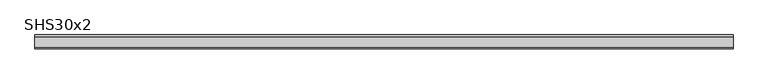
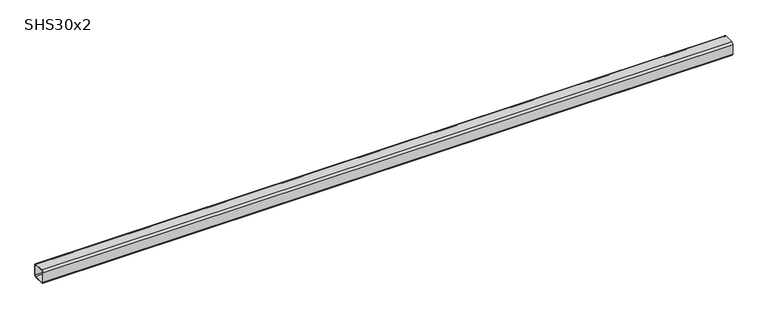
"""IFC4 building model written with IfcOpenShell, lengths in millimetres: beam geometry, SHS30x2."""

from ifc_helpers import new_model, si_unit, point, frame, frame_2d, origin, place, context, project, spatial, polyline, circle_curve, trimmed, segment, composite_curve, outline, extrude, source, transform, mapped, element, save


def shs30x2_0f414abc(model_context):
    return source(origin(), model_context, "Body", "SweptSolid", [
        extrude(outline(composite_curve([segment(polyline([(15.0, 11.0), (15.0, -11.0)]), True, "CONTINUOUS"), segment(trimmed(circle_curve(frame_2d((11.0, -11.0)), 4.0), [point((15.0, -11.0))], [point((11.0, -15.0))], False, "CARTESIAN"), True, "CONTINUOUS"), segment(polyline([(11.0, -15.0), (-11.0, -15.0)]), True, "CONTINUOUS"), segment(trimmed(circle_curve(frame_2d((-11.0, -11.0)), 4.0), [point((-11.0, -15.0))], [point((-15.0, -11.0))], False, "CARTESIAN"), True, "CONTINUOUS"), segment(polyline([(-15.0, -11.0), (-15.0, 11.0)]), True, "CONTINUOUS"), segment(trimmed(circle_curve(frame_2d((-11.0, 11.0)), 4.0), [point((-15.0, 11.0))], [point((-11.0, 15.0))], False, "CARTESIAN"), True, "CONTINUOUS"), segment(polyline([(-11.0, 15.0), (11.0, 15.0)]), True, "CONTINUOUS"), segment(trimmed(circle_curve(frame_2d((11.0, 11.0)), 4.0), [point((11.0, 15.0))], [point((15.0, 11.0))], False, "CARTESIAN"), True, "CONTINUOUS")], self_intersect=False), holes=[composite_curve([segment(trimmed(circle_curve(frame_2d((-11.0, 11.0)), 2.0), [point((-11.0, 13.0))], [point((-13.0, 11.0))], True, "CARTESIAN"), True, "CONTINUOUS"), segment(polyline([(-13.0, 11.0), (-13.0, -11.0)]), True, "CONTINUOUS"), segment(trimmed(circle_curve(frame_2d((-11.0, -11.0)), 2.0), [point((-13.0, -11.0))], [point((-11.0, -13.0))], True, "CARTESIAN"), True, "CONTINUOUS"), segment(polyline([(-11.0, -13.0), (11.0, -13.0)]), True, "CONTINUOUS"), segment(trimmed(circle_curve(frame_2d((11.0, -11.0)), 2.0), [point((11.0, -13.0))], [point((13.0, -11.0))], True, "CARTESIAN"), True, "CONTINUOUS"), segment(polyline([(13.0, -11.0), (13.0, 11.0)]), True, "CONTINUOUS"), segment(trimmed(circle_curve(frame_2d((11.0, 11.0)), 2.0), [point((13.0, 11.0))], [point((11.0, 13.0))], True, "CARTESIAN"), True, "CONTINUOUS"), segment(polyline([(11.0, 13.0), (-11.0, 13.0)]), True, "CONTINUOUS")], self_intersect=False)]), frame((-750.0, 0.0, 0.0), z_axis=(1.0, 0.0, 0.0), x_axis=(0.0, 1.0, 0.0)), (0.0, 0.0, 1.0), 1500.0),
    ])


if __name__ == "__main__":
    model = new_model("IFC4")
    model_context = context("Model", 3, world=origin())
    ifc_project = project(units=[si_unit("LENGTHUNIT", "METRE", prefix="MILLI")], contexts=[model_context])
    site = spatial("IfcSite", under=ifc_project)
    building = spatial("IfcBuilding", under=site)
    placement = place(None, origin())
    shs30x2_shape = shs30x2_0f414abc(model_context)
    element("IfcBeam", 1, ObjectType="SHS30x2", at=placement, inside=building, context=model_context, shape_type="MappedRepresentation", body=[
        mapped(shs30x2_shape, transform((0.0, 0.0, 0.0), x_axis=(1.0, 0.0, 0.0), y_axis=(0.0, 1.0, 0.0), z_axis=(0.0, 0.0, 1.0))),
    ])
    save(model, "model.ifc")
